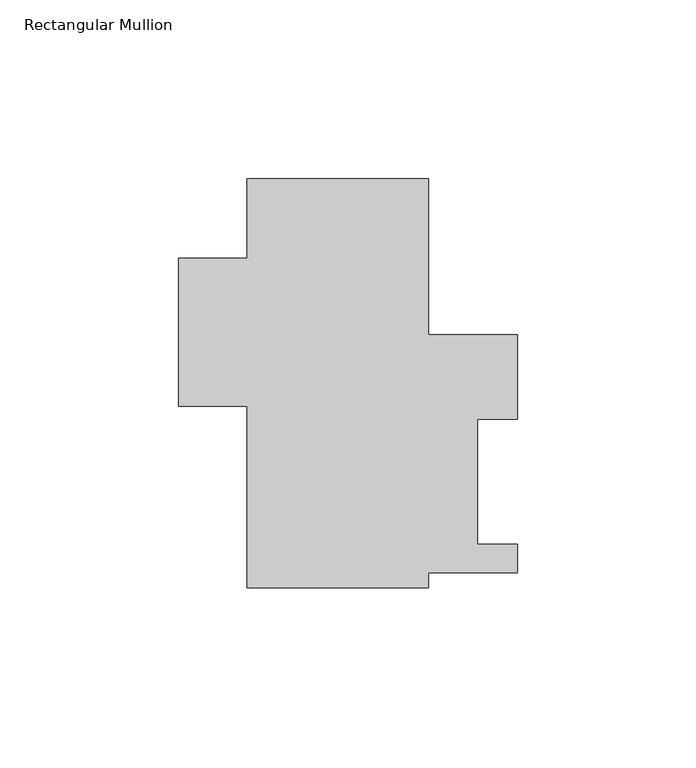
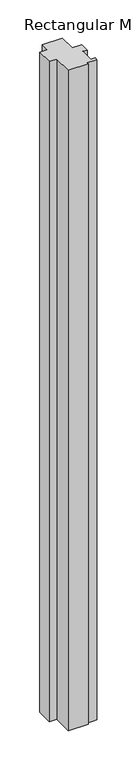
"""IFC4 building model written with IfcOpenShell, lengths in millimetres: member geometry, Rectangular Mullion."""

from ifc_helpers import new_model, si_unit, frame, origin, place, context, project, spatial, polyline, outline, extrude, source, transform, mapped, element, save


def rectangular_mullion_be0bb1d6(model_context):
    return source(origin(), model_context, "Body", "SweptSolid", [
        extrude(outline(polyline([(-11.0998, 47.069375), (-11.0998, 12.144375), (0.0, 12.144375), (0.0, 4.219575), (-24.765, 4.219575), (-24.765, -0.047625), (-75.565, -0.047625), (-75.565, 50.752375), (-94.615, 50.752375), (-94.615, 92.027375), (-75.565, 92.027375), (-75.565, 114.252375), (-24.765, 114.252375), (-24.765, 70.767575), (0.0, 70.767575), (0.0, 47.069375), (-11.0998, 47.069375)])), frame((0.0, 0.0, -1779.27), z_axis=(0.0, 0.0, 1.0), x_axis=(1.0, 0.0, 0.0)), (0.0, 0.0, 1.0), 1779.27),
    ])


if __name__ == "__main__":
    model = new_model("IFC4")
    model_context = context("Model", 3, world=origin())
    ifc_project = project(units=[si_unit("LENGTHUNIT", "METRE", prefix="MILLI")], contexts=[model_context])
    site = spatial("IfcSite", under=ifc_project)
    building = spatial("IfcBuilding", under=site)
    placement = place(None, origin())
    rectangular_mullion_shape = rectangular_mullion_be0bb1d6(model_context)
    element("IfcMember", 1, ObjectType="Rectangular Mullion", at=placement, inside=building, context=model_context, shape_type="MappedRepresentation", body=[
        mapped(rectangular_mullion_shape, transform((0.0, 0.0, 0.0), x_axis=(1.0, 0.0, 0.0), y_axis=(0.0, 1.0, 0.0), z_axis=(0.0, 0.0, 1.0))),
    ])
    save(model, "model.ifc")
